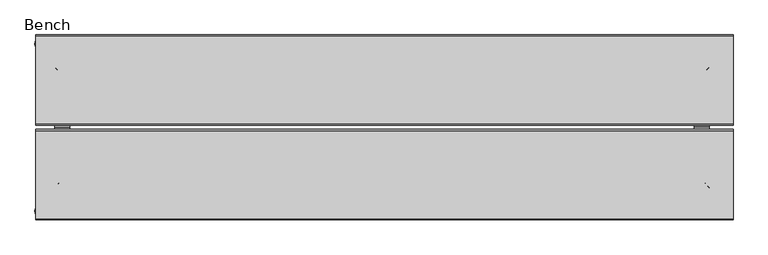
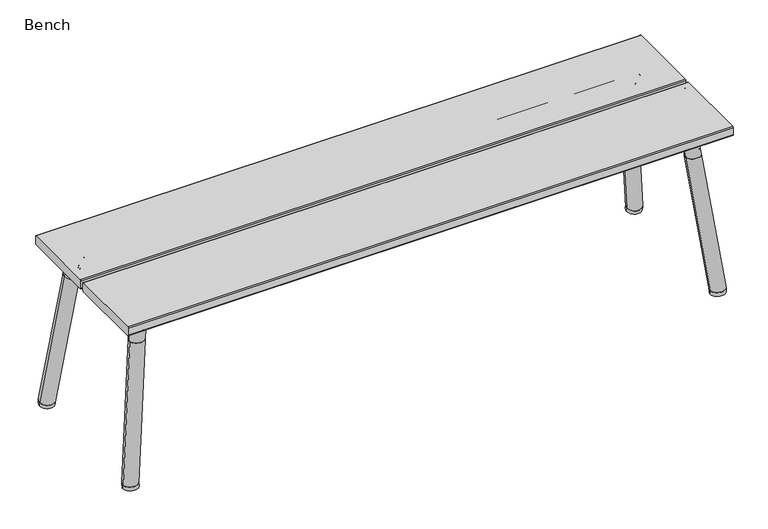
"""IFC4 building model written with IfcOpenShell, lengths in millimetres: furniture geometry, Bench."""

from ifc_helpers import new_model, si_unit, point, frame, frame_2d, origin, place, context, project, spatial, polyline, circle_curve, ellipse_curve, trimmed, segment, composite_curve, outline, extrude, source, transform, mapped, element, save
from ifc_brep_helpers import plane_surface, cylinder_surface, revolved_surface, extruded_surface, advanced_brep


def bench_5bde1b20(model_context):
    return source(origin(), model_context, "Body", "SolidModel", [
        advanced_brep(
        [(-735.4207663, -229.9340038, 9.162739), (-773.5207663, -229.9340038, 9.162739), (-735.4145651, -228.8936749, -0.0157936), (-773.5145651, -228.8936749, -0.0157936)],
        [
            (0, 1, circle_curve(frame((-754.4707663, -229.9340038, 9.162739), z_axis=(0.0, -0.11262259461233326, 0.993637837032581), x_axis=(1.0, 0.0, 0.0)), 19.05)),
            (1, 0, circle_curve(frame((-754.4707663, -229.9340038, 9.162739), z_axis=(0.0, -0.11262259461233326, 0.993637837032581), x_axis=(1.0, 0.0, 0.0)), 19.05)),
            (2, 3, circle_curve(frame((-754.4645651, -228.8936749, -0.0157936), z_axis=(0.0, 0.11262259461233326, -0.993637837032581), x_axis=(-1.0, 0.0, 0.0)), 19.05)),
            (3, 2, circle_curve(frame((-754.4645651, -228.8936749, -0.0157936), z_axis=(0.0, 0.11262259461233326, -0.993637837032581), x_axis=(-1.0, 0.0, 0.0)), 19.05)),
            (3, 1),
            (0, 2),
        ],
        [
            plane_surface(frame((-754.4707663, -229.9340038, 9.162739), z_axis=(0.0, -0.11262259461233326, 0.993637837032581), x_axis=(0.0, -0.993637837032581, -0.11262259461233326))),
            plane_surface(frame((-754.4645651, -228.8936749, -0.0157936), z_axis=(0.0, 0.11262259461233326, -0.993637837032581), x_axis=(0.0, 0.993637837032581, 0.11262259461233326))),
            extruded_surface(trimmed(circle_curve(frame((-754.4645651, -228.8936749, -0.0157936), z_axis=(0.0, -0.11262259461233326, 0.993637837032581), x_axis=(-1.0, 0.0, 0.0)), 19.05), [point((-735.4145651, -228.8936749, -0.0157936))], [point((-773.5145651, -228.8936749, -0.0157936))], True, "CARTESIAN"), (-0.006201200000077733, -1.0403288999999916, 9.1785326), 9.237303901264665),
            extruded_surface(trimmed(circle_curve(frame((-754.4645651, -228.8936749, -0.0157936), z_axis=(0.0, -0.11262259461233326, 0.993637837032581), x_axis=(-1.0, 0.0, 0.0)), 19.05), [point((-773.5145651, -228.8936749, -0.0157936))], [point((-735.4145651, -228.8936749, -0.0157936))], True, "CARTESIAN"), (-0.006201200000077733, -1.0403288999999916, 9.1785326), 9.237303901264665),
        ],
        [
            (0, [[1, 2]]),
            (1, [[3, 4]]),
            (2, [[-4, 5, -1, 6]]),
            (3, [[-3, -6, -2, -5]]),
        ],
    ),
        advanced_brep(
        [(-735.4207663, -601.9159962, 9.162739), (-773.5207663, -601.9159962, 9.162739), (-735.4145651, -602.9563251, -0.0157936), (-773.5145651, -602.9563251, -0.0157936)],
        [
            (0, 1, circle_curve(frame((-754.4707663, -601.9159962, 9.162739), z_axis=(0.0, 0.11262259461233326, 0.993637837032581), x_axis=(1.0, 0.0, 0.0)), 19.05)),
            (1, 0, circle_curve(frame((-754.4707663, -601.9159962, 9.162739), z_axis=(0.0, 0.11262259461233326, 0.993637837032581), x_axis=(1.0, 0.0, 0.0)), 19.05)),
            (2, 3, circle_curve(frame((-754.4645651, -602.9563251, -0.0157936), z_axis=(0.0, -0.11262259461233326, -0.993637837032581), x_axis=(-1.0, 0.0, 0.0)), 19.05)),
            (3, 2, circle_curve(frame((-754.4645651, -602.9563251, -0.0157936), z_axis=(0.0, -0.11262259461233326, -0.993637837032581), x_axis=(-1.0, 0.0, 0.0)), 19.05)),
            (2, 0),
            (1, 3),
        ],
        [
            plane_surface(frame((-754.4707663, -601.9159962, 9.162739), z_axis=(0.0, 0.11262259461233326, 0.993637837032581), x_axis=(0.0, -0.993637837032581, 0.11262259461233326))),
            plane_surface(frame((-754.4645651, -602.9563251, -0.0157936), z_axis=(0.0, -0.11262259461233326, -0.993637837032581), x_axis=(0.0, 0.993637837032581, -0.11262259461233326))),
            extruded_surface(trimmed(circle_curve(frame((-754.4645651, -602.9563251, -0.0157936), z_axis=(0.0, 0.11262259461233326, 0.993637837032581), x_axis=(-1.0, 0.0, 0.0)), 19.05), [point((-773.5145651, -602.9563251, -0.0157936))], [point((-735.4145651, -602.9563251, -0.0157936))], True, "CARTESIAN"), (-0.006201200000077733, 1.0403288999999631, 9.1785326), 9.237303901264662),
            extruded_surface(trimmed(circle_curve(frame((-754.4645651, -602.9563251, -0.0157936), z_axis=(0.0, 0.11262259461233326, 0.993637837032581), x_axis=(-1.0, 0.0, 0.0)), 19.05), [point((-735.4145651, -602.9563251, -0.0157936))], [point((-773.5145651, -602.9563251, -0.0157936))], True, "CARTESIAN"), (-0.006201200000077733, 1.0403288999999631, 9.1785326), 9.237303901264662),
        ],
        [
            (0, [[1, 2]]),
            (1, [[3, 4]]),
            (2, [[-3, 5, -2, 6]]),
            (3, [[-4, -6, -1, -5]]),
        ],
    ),
        advanced_brep(
        [(736.9421205, -229.9340038, 9.162739), (775.0421205, -229.9340038, 9.162739), (736.9359193, -228.8936749, -0.0157936), (775.0359193, -228.8936749, -0.0157936)],
        [
            (0, 1, circle_curve(frame((755.9921205, -229.9340038, 9.162739), z_axis=(0.0, -0.11262259461233326, 0.993637837032581), x_axis=(-1.0, 0.0, 0.0)), 19.05)),
            (1, 0, circle_curve(frame((755.9921205, -229.9340038, 9.162739), z_axis=(0.0, -0.11262259461233326, 0.993637837032581), x_axis=(-1.0, 0.0, 0.0)), 19.05)),
            (2, 3, circle_curve(frame((755.9859193, -228.8936749, -0.0157936), z_axis=(0.0, 0.11262259461233326, -0.993637837032581), x_axis=(1.0, 0.0, 0.0)), 19.05)),
            (3, 2, circle_curve(frame((755.9859193, -228.8936749, -0.0157936), z_axis=(0.0, 0.11262259461233326, -0.993637837032581), x_axis=(1.0, 0.0, 0.0)), 19.05)),
            (2, 0),
            (1, 3),
        ],
        [
            plane_surface(frame((755.9921205, -229.9340038, 9.162739), z_axis=(0.0, -0.11262259461233326, 0.993637837032581), x_axis=(0.0, 0.993637837032581, 0.11262259461233326))),
            plane_surface(frame((755.9859193, -228.8936749, -0.0157936), z_axis=(0.0, 0.11262259461233326, -0.993637837032581), x_axis=(0.0, -0.993637837032581, -0.11262259461233326))),
            extruded_surface(trimmed(circle_curve(frame((755.9859193, -228.8936749, -0.0157936), z_axis=(0.0, -0.11262259461233326, 0.993637837032581), x_axis=(1.0, 0.0, 0.0)), 19.05), [point((775.0359193, -228.8936749, -0.0157936))], [point((736.9359193, -228.8936749, -0.0157936))], True, "CARTESIAN"), (0.006201200000077733, -1.0403288999999916, 9.1785326), 9.237303901264665),
            extruded_surface(trimmed(circle_curve(frame((755.9859193, -228.8936749, -0.0157936), z_axis=(0.0, -0.11262259461233326, 0.993637837032581), x_axis=(1.0, 0.0, 0.0)), 19.05), [point((736.9359193, -228.8936749, -0.0157936))], [point((775.0359193, -228.8936749, -0.0157936))], True, "CARTESIAN"), (0.006201200000077733, -1.0403288999999916, 9.1785326), 9.237303901264665),
        ],
        [
            (0, [[1, 2]]),
            (1, [[3, 4]]),
            (2, [[-3, 5, -2, 6]]),
            (3, [[-4, -6, -1, -5]]),
        ],
    ),
        advanced_brep(
        [(713.35075, -284.7955404, 382.266082), (713.35075, -259.3955404, 382.266082), (675.8206713, -284.7955404, 416.2260945), (675.8206713, -259.3955404, 416.2260945), (0.7606771, -284.7955404, 416.2260945), (0.7606771, -259.3955404, 416.2260945), (-711.8293958, -284.7955404, 382.266082), (-711.8293958, -259.3955404, 382.266082), (-674.2993172, -259.3955404, 416.2260945), (-674.2993172, -284.7955404, 416.2260945)],
        [
            (0, 1, circle_curve(frame((713.35075, -272.0955404, 382.266082), z_axis=(0.0996273802957553, 0.0, -0.9950248163213845), x_axis=(0.0, 1.0, 0.0)), 12.7)),
            (1, 0, circle_curve(frame((713.35075, -272.0955404, 382.266082), z_axis=(0.0996273802957553, 0.0, -0.9950248163213845), x_axis=(0.0, 1.0, 0.0)), 12.7)),
            (0, 2, circle_curve(frame((675.8206713, -284.7955404, 378.5083633), z_axis=(0.0, -1.0, 0.0), x_axis=(0.9950248163208736, 0.0, 0.09962738030085823)), 37.7177313)),
            (2, 3, circle_curve(frame((675.8206713, -272.0955404, 416.2260945), z_axis=(0.9999999999999999, 0.0, -5.137723579906606e-12), x_axis=(0.0, 1.0, 0.0)), 12.7)),
            (3, 1, circle_curve(frame((675.8206713, -259.3955404, 378.5083633), z_axis=(0.0, 1.0, 0.0), x_axis=(0.9950248163208736, 0.0, 0.09962738030085823)), 37.7177313)),
            (3, 2, circle_curve(frame((675.8206713, -272.0955404, 416.2260945), z_axis=(1.0, 0.0, -5.1363913122770555e-12), x_axis=(0.0, 1.0, 0.0)), 12.7)),
            (2, 4),
            (4, 5, circle_curve(frame((0.7606771, -272.0955404, 416.2260945), z_axis=(1.0, 0.0, -5.1314646976052805e-12), x_axis=(0.0, 1.0, 0.0)), 12.7)),
            (5, 3),
            (5, 4, circle_curve(frame((0.7606771, -272.0955404, 416.2260945), z_axis=(1.0, 0.0, -5.1314646976052805e-12), x_axis=(0.0, 1.0, 0.0)), 12.7)),
            (6, 7, circle_curve(frame((-711.8293958, -272.0955404, 382.266082), z_axis=(-0.09962738029578189, 0.0, -0.9950248163213818), x_axis=(0.0, 1.0, 0.0)), 12.7)),
            (7, 6, circle_curve(frame((-711.8293958, -272.0955404, 382.266082), z_axis=(-0.09962738029578189, 0.0, -0.9950248163213818), x_axis=(0.0, 1.0, 0.0)), 12.7)),
            (7, 8, circle_curve(frame((-674.2993172, -259.3955404, 378.5083633), z_axis=(0.0, 1.0, 0.0), x_axis=(-0.9950248163208708, 0.0, 0.09962738030088575)), 37.7177313)),
            (8, 9, circle_curve(frame((-674.2993172, -272.0955404, 416.2260945), z_axis=(-1.0, 0.0, -5.111008838376563e-12), x_axis=(0.0, 1.0, 0.0)), 12.7)),
            (9, 6, circle_curve(frame((-674.2993172, -284.7955404, 378.5083633), z_axis=(0.0, -1.0, 0.0), x_axis=(-0.9950248163208708, 0.0, 0.09962738030088575)), 37.7177313)),
            (9, 8, circle_curve(frame((-674.2993172, -272.0955404, 416.2260945), z_axis=(-1.0, 0.0, -5.112119061401188e-12), x_axis=(0.0, 1.0, 0.0)), 12.7)),
            (8, 5),
            (4, 9),
        ],
        [
            plane_surface(frame((713.35075, -277.0595785, 382.266082), z_axis=(0.09962738030085821, 0.0, -0.9950248163208737), x_axis=(0.0, -1.0, 0.0))),
            revolved_surface(trimmed(ellipse_curve(frame((713.35075, -272.0955404, 382.266082), z_axis=(0.0996273802957553, 0.0, -0.9950248163213845), x_axis=(0.0, 1.0, 0.0)), 12.7, 12.7), [point((713.35075, -284.7955404, 382.266082))], [point((713.35075, -259.3955404, 382.266082))], True, "CARTESIAN"), (675.8206713, -277.0595785, 378.5083633), (0.0, -1.0, 0.0)),
            revolved_surface(trimmed(ellipse_curve(frame((713.35075, -272.0955404, 382.266082), z_axis=(0.0996273802957553, 0.0, -0.9950248163213845), x_axis=(0.0, 1.0, 0.0)), 12.7, 12.7), [point((713.35075, -259.3955404, 382.266082))], [point((713.35075, -284.7955404, 382.266082))], True, "CARTESIAN"), (675.8206713, -277.0595785, 378.5083633), (0.0, -1.0, 0.0)),
            cylinder_surface(frame((675.8206713, -272.0955404, 416.2260945), z_axis=(1.0, 0.0, -5.1314646976052805e-12), x_axis=(0.0, 1.0, 0.0)), 12.7),
            plane_surface(frame((-711.8293958, -277.0595785, 382.266082), z_axis=(-0.09962738030088575, 0.0, -0.9950248163208708), x_axis=(0.0, -1.0, 0.0))),
            revolved_surface(trimmed(ellipse_curve(frame((-711.8293958, -272.0955404, 382.266082), z_axis=(-0.09962738029578189, 0.0, -0.9950248163213818), x_axis=(0.0, 1.0, 0.0)), 12.7, 12.7), [point((-711.8293958, -259.3955404, 382.266082))], [point((-711.8293958, -284.7955404, 382.266082))], True, "CARTESIAN"), (-674.2993172, -277.0595785, 378.5083633), (0.0, 1.0, 0.0)),
            revolved_surface(trimmed(ellipse_curve(frame((-711.8293958, -272.0955404, 382.266082), z_axis=(-0.09962738029578189, 0.0, -0.9950248163213818), x_axis=(0.0, 1.0, 0.0)), 12.7, 12.7), [point((-711.8293958, -284.7955404, 382.266082))], [point((-711.8293958, -259.3955404, 382.266082))], True, "CARTESIAN"), (-674.2993172, -277.0595785, 378.5083633), (0.0, 1.0, 0.0)),
            cylinder_surface(frame((-674.2993172, -272.0955404, 416.2260945), z_axis=(-1.0, 0.0, -5.104736078287431e-12), x_axis=(0.0, 1.0, 0.0)), 12.7),
        ],
        [
            (0, [[1, 2]]),
            (1, [[-1, 3, 4, 5]]),
            (2, [[-2, -5, 6, -3]]),
            (3, [[-4, 7, 8, 9]]),
            (3, [[-6, -9, 10, -7]]),
            (4, [[11, 12]]),
            (5, [[-12, 13, 14, 15]]),
            (6, [[-11, -15, 16, -13]]),
            (7, [[-14, 17, -8, 18]]),
            (7, [[-16, -18, -10, -17]]),
        ],
    ),
        advanced_brep(
        [(697.0880634, -559.3307471, 376.709832), (731.1449265, -559.3307471, 376.709832), (697.0880634, -521.8006685, 410.6698445), (731.1449265, -521.8006685, 410.6698445), (697.0880634, -415.925, 410.6698445), (731.1449265, -415.925, 410.6698445), (697.0880634, -272.5192529, 376.709832), (731.1449265, -272.5192529, 376.709832), (731.1449265, -310.0493315, 410.6698445), (697.0880634, -310.0493315, 410.6698445)],
        [
            (0, 1, circle_curve(frame((714.1164949, -559.3307471, 376.709832), z_axis=(0.0, -0.0996273802957553, -0.9950248163213845), x_axis=(1.0, 0.0, 0.0)), 17.0284315)),
            (1, 0, circle_curve(frame((714.1164949, -559.3307471, 376.709832), z_axis=(0.0, -0.0996273802957553, -0.9950248163213845), x_axis=(1.0, 0.0, 0.0)), 17.0284315)),
            (0, 2, circle_curve(frame((697.0880634, -521.8006685, 372.9521133), z_axis=(-1.0, 0.0, 0.0), x_axis=(0.0, -0.9950248163208736, 0.09962738030085823)), 37.7177313)),
            (2, 3, circle_curve(frame((714.1164949, -521.8006685, 410.6698445), z_axis=(0.0, -1.0, -5.138611758326306e-12), x_axis=(1.0, 0.0, 0.0)), 17.0284315)),
            (3, 1, circle_curve(frame((731.1449265, -521.8006685, 372.9521133), z_axis=(1.0, 0.0, 0.0), x_axis=(0.0, -0.9950248163208736, 0.09962738030085823)), 37.7177313)),
            (3, 2, circle_curve(frame((714.1164949, -521.8006685, 410.6698445), z_axis=(0.0, -1.0, -5.138389713721381e-12), x_axis=(1.0, 0.0, 0.0)), 17.0284315)),
            (2, 4),
            (4, 5, circle_curve(frame((714.1164949, -415.925, 410.6698445), z_axis=(0.0, -1.0, -5.1314646976052805e-12), x_axis=(1.0, 0.0, 0.0)), 17.0284315)),
            (5, 3),
            (5, 4, circle_curve(frame((714.1164949, -415.925, 410.6698445), z_axis=(0.0, -1.0, -5.1314646976052805e-12), x_axis=(1.0, 0.0, 0.0)), 17.0284315)),
            (6, 7, circle_curve(frame((714.1164949, -272.5192529, 376.709832), z_axis=(0.0, 0.0996273802957553, -0.9950248163213845), x_axis=(1.0, 0.0, 0.0)), 17.0284315)),
            (7, 6, circle_curve(frame((714.1164949, -272.5192529, 376.709832), z_axis=(0.0, 0.0996273802957553, -0.9950248163213845), x_axis=(1.0, 0.0, 0.0)), 17.0284315)),
            (7, 8, circle_curve(frame((731.1449265, -310.0493315, 372.9521133), z_axis=(1.0, 0.0, 0.0), x_axis=(0.0, 0.9950248163208736, 0.09962738030085823)), 37.7177313)),
            (8, 9, circle_curve(frame((714.1164949, -310.0493315, 410.6698445), z_axis=(0.0, 1.0, -5.137501535301681e-12), x_axis=(1.0, 0.0, 0.0)), 17.0284315)),
            (9, 6, circle_curve(frame((697.0880634, -310.0493315, 372.9521133), z_axis=(-1.0, 0.0, 0.0), x_axis=(0.0, 0.9950248163208736, 0.09962738030085823)), 37.7177313)),
            (9, 8, circle_curve(frame((714.1164949, -310.0493315, 410.6698445), z_axis=(0.0, 1.0, -5.1363913122770555e-12), x_axis=(1.0, 0.0, 0.0)), 17.0284315)),
            (8, 5),
            (4, 9),
        ],
        [
            plane_surface(frame((709.1524568, -559.3307471, 376.709832), z_axis=(0.0, -0.09962738030085821, -0.9950248163208737), x_axis=(-1.0, 0.0, 0.0))),
            revolved_surface(trimmed(ellipse_curve(frame((714.1164949, -559.3307471, 376.709832), z_axis=(0.0, -0.0996273802957553, -0.9950248163213845), x_axis=(1.0, 0.0, 0.0)), 17.0284315, 17.0284315), [point((697.0880634, -559.3307471, 376.709832))], [point((731.1449265, -559.3307471, 376.709832))], True, "CARTESIAN"), (709.1524568, -521.8006685, 372.9521133), (-1.0, 0.0, 0.0)),
            revolved_surface(trimmed(ellipse_curve(frame((714.1164949, -559.3307471, 376.709832), z_axis=(0.0, -0.0996273802957553, -0.9950248163213845), x_axis=(1.0, 0.0, 0.0)), 17.0284315, 17.0284315), [point((731.1449265, -559.3307471, 376.709832))], [point((697.0880634, -559.3307471, 376.709832))], True, "CARTESIAN"), (709.1524568, -521.8006685, 372.9521133), (-1.0, 0.0, 0.0)),
            cylinder_surface(frame((714.1164949, -521.8006685, 410.6698445), z_axis=(0.0, -1.0, -5.1314646976052805e-12), x_axis=(1.0, 0.0, 0.0)), 17.0284315),
            plane_surface(frame((709.1524568, -272.5192529, 376.709832), z_axis=(0.0, 0.09962738030085821, -0.9950248163208737), x_axis=(-1.0, 0.0, 0.0))),
            revolved_surface(trimmed(ellipse_curve(frame((714.1164949, -272.5192529, 376.709832), z_axis=(0.0, 0.0996273802957553, -0.9950248163213845), x_axis=(1.0, 0.0, 0.0)), 17.0284315, 17.0284315), [point((731.1449265, -272.5192529, 376.709832))], [point((697.0880634, -272.5192529, 376.709832))], True, "CARTESIAN"), (709.1524568, -310.0493315, 372.9521133), (1.0, 0.0, 0.0)),
            revolved_surface(trimmed(ellipse_curve(frame((714.1164949, -272.5192529, 376.709832), z_axis=(0.0, 0.0996273802957553, -0.9950248163213845), x_axis=(1.0, 0.0, 0.0)), 17.0284315, 17.0284315), [point((697.0880634, -272.5192529, 376.709832))], [point((731.1449265, -272.5192529, 376.709832))], True, "CARTESIAN"), (709.1524568, -310.0493315, 372.9521133), (1.0, 0.0, 0.0)),
            cylinder_surface(frame((714.1164949, -310.0493315, 410.6698445), z_axis=(0.0, 1.0, -5.1314646976052805e-12), x_axis=(1.0, 0.0, 0.0)), 17.0284315),
        ],
        [
            (0, [[1, 2]]),
            (1, [[-1, 3, 4, 5]]),
            (2, [[-2, -5, 6, -3]]),
            (3, [[-4, 7, 8, 9]]),
            (3, [[-6, -9, 10, -7]]),
            (4, [[11, 12]]),
            (5, [[-12, 13, 14, 15]]),
            (6, [[-11, -15, 16, -13]]),
            (7, [[-14, 17, -8, 18]]),
            (7, [[-16, -18, -10, -17]]),
        ],
    ),
        advanced_brep(
        [(-711.8293958, -547.0544596, 382.266082), (-711.8293958, -572.4544596, 382.266082), (-674.2993172, -547.0544596, 416.2260945), (-674.2993172, -572.4544596, 416.2260945), (0.7606771, -547.0544596, 416.2260945), (0.7606771, -572.4544596, 416.2260945), (713.35075, -547.0544596, 382.266082), (713.35075, -572.4544596, 382.266082), (675.8206713, -572.4544596, 416.2260945), (675.8206713, -547.0544596, 416.2260945)],
        [
            (0, 1, circle_curve(frame((-711.8293958, -559.7544596, 382.266082), z_axis=(-0.09962738029578189, 0.0, -0.9950248163213818), x_axis=(0.0, -1.0, 0.0)), 12.7)),
            (1, 0, circle_curve(frame((-711.8293958, -559.7544596, 382.266082), z_axis=(-0.09962738029578189, 0.0, -0.9950248163213818), x_axis=(0.0, -1.0, 0.0)), 12.7)),
            (0, 2, circle_curve(frame((-674.2993172, -547.0544596, 378.5083633), z_axis=(0.0, 1.0, 0.0), x_axis=(-0.9950248163208708, 0.0, 0.09962738030088575)), 37.7177313)),
            (2, 3, circle_curve(frame((-674.2993172, -559.7544596, 416.2260945), z_axis=(-1.0, 0.0, -5.112785195215963e-12), x_axis=(0.0, -1.0, 0.0)), 12.7)),
            (3, 1, circle_curve(frame((-674.2993172, -572.4544596, 378.5083633), z_axis=(0.0, -1.0, 0.0), x_axis=(-0.9950248163208708, 0.0, 0.09962738030088575)), 37.7177313)),
            (3, 2, circle_curve(frame((-674.2993172, -559.7544596, 416.2260945), z_axis=(-1.0, 0.0, -5.111883139008455e-12), x_axis=(0.0, -1.0, 0.0)), 12.7)),
            (2, 4),
            (4, 5, circle_curve(frame((0.7606771, -559.7544596, 416.2260945), z_axis=(-1.0, 0.0, -5.104736078287431e-12), x_axis=(0.0, -1.0, 0.0)), 12.7)),
            (5, 3),
            (5, 4, circle_curve(frame((0.7606771, -559.7544596, 416.2260945), z_axis=(-1.0, 0.0, -5.104736078287431e-12), x_axis=(0.0, -1.0, 0.0)), 12.7)),
            (6, 7, circle_curve(frame((713.35075, -559.7544596, 382.266082), z_axis=(0.0996273802957553, 0.0, -0.9950248163213845), x_axis=(0.0, -1.0, 0.0)), 12.7)),
            (7, 6, circle_curve(frame((713.35075, -559.7544596, 382.266082), z_axis=(0.0996273802957553, 0.0, -0.9950248163213845), x_axis=(0.0, -1.0, 0.0)), 12.7)),
            (7, 8, circle_curve(frame((675.8206713, -572.4544596, 378.5083633), z_axis=(0.0, -1.0, 0.0), x_axis=(0.9950248163208736, 0.0, 0.09962738030085823)), 37.7177313)),
            (8, 9, circle_curve(frame((675.8206713, -559.7544596, 416.2260945), z_axis=(1.0, 0.0, -5.1372933684845634e-12), x_axis=(0.0, -1.0, 0.0)), 12.7)),
            (9, 6, circle_curve(frame((675.8206713, -547.0544596, 378.5083633), z_axis=(0.0, 1.0, 0.0), x_axis=(0.9950248163208736, 0.0, 0.09962738030085823)), 37.7177313)),
            (9, 8, circle_curve(frame((675.8206713, -559.7544596, 416.2260945), z_axis=(1.0, 0.0, -5.138611758326306e-12), x_axis=(0.0, -1.0, 0.0)), 12.7)),
            (8, 5),
            (4, 9),
        ],
        [
            plane_surface(frame((-711.8293958, -554.7904215, 382.266082), z_axis=(-0.09962738030088575, 0.0, -0.9950248163208708), x_axis=(0.0, 1.0, 0.0))),
            revolved_surface(trimmed(ellipse_curve(frame((-711.8293958, -559.7544596, 382.266082), z_axis=(-0.09962738029578189, 0.0, -0.9950248163213818), x_axis=(0.0, -1.0, 0.0)), 12.7, 12.7), [point((-711.8293958, -547.0544596, 382.266082))], [point((-711.8293958, -572.4544596, 382.266082))], True, "CARTESIAN"), (-674.2993172, -554.7904215, 378.5083633), (0.0, 1.0, 0.0)),
            revolved_surface(trimmed(ellipse_curve(frame((-711.8293958, -559.7544596, 382.266082), z_axis=(-0.09962738029578189, 0.0, -0.9950248163213818), x_axis=(0.0, -1.0, 0.0)), 12.7, 12.7), [point((-711.8293958, -572.4544596, 382.266082))], [point((-711.8293958, -547.0544596, 382.266082))], True, "CARTESIAN"), (-674.2993172, -554.7904215, 378.5083633), (0.0, 1.0, 0.0)),
            cylinder_surface(frame((-674.2993172, -559.7544596, 416.2260945), z_axis=(-1.0, 0.0, -5.104736078287431e-12), x_axis=(0.0, -1.0, 0.0)), 12.7),
            plane_surface(frame((713.35075, -554.7904215, 382.266082), z_axis=(0.09962738030085821, 0.0, -0.9950248163208737), x_axis=(0.0, 1.0, 0.0))),
            revolved_surface(trimmed(ellipse_curve(frame((713.35075, -559.7544596, 382.266082), z_axis=(0.0996273802957553, 0.0, -0.9950248163213845), x_axis=(0.0, -1.0, 0.0)), 12.7, 12.7), [point((713.35075, -572.4544596, 382.266082))], [point((713.35075, -547.0544596, 382.266082))], True, "CARTESIAN"), (675.8206713, -554.7904215, 378.5083633), (0.0, -1.0, 0.0)),
            revolved_surface(trimmed(ellipse_curve(frame((713.35075, -559.7544596, 382.266082), z_axis=(0.0996273802957553, 0.0, -0.9950248163213845), x_axis=(0.0, -1.0, 0.0)), 12.7, 12.7), [point((713.35075, -547.0544596, 382.266082))], [point((713.35075, -572.4544596, 382.266082))], True, "CARTESIAN"), (675.8206713, -554.7904215, 378.5083633), (0.0, -1.0, 0.0)),
            cylinder_surface(frame((675.8206713, -559.7544596, 416.2260945), z_axis=(1.0, 0.0, -5.1314646976052805e-12), x_axis=(0.0, -1.0, 0.0)), 12.7),
        ],
        [
            (0, [[1, 2]]),
            (1, [[-1, 3, 4, 5]]),
            (2, [[-2, -5, 6, -3]]),
            (3, [[-4, 7, 8, 9]]),
            (3, [[-6, -9, 10, -7]]),
            (4, [[11, 12]]),
            (5, [[-12, 13, 14, 15]]),
            (6, [[-11, -15, 16, -13]]),
            (7, [[-14, 17, -8, 18]]),
            (7, [[-16, -18, -10, -17]]),
        ],
    ),
        advanced_brep(
        [(696.7981722, -270.31325, 362.10054), (734.8981722, -270.31325, 362.10054), (736.8453401, -229.9339535, 9.162691), (774.9453401, -229.9339535, 9.162691)],
        [
            (0, 1, circle_curve(frame((715.8481722, -270.31325, 362.10054), z_axis=(0.0, -0.11262259461232738, 0.9936378370325818), x_axis=(-1.0, 0.0, 0.0)), 19.05)),
            (1, 0, circle_curve(frame((715.8481722, -270.31325, 362.10054), z_axis=(0.0, -0.11262259461232738, 0.9936378370325818), x_axis=(-1.0, 0.0, 0.0)), 19.05)),
            (2, 3, circle_curve(frame((755.8953401, -229.9339535, 9.162691), z_axis=(0.0, 0.11262259461232738, -0.9936378370325818), x_axis=(1.0, 0.0, 0.0)), 19.05)),
            (3, 2, circle_curve(frame((755.8953401, -229.9339535, 9.162691), z_axis=(0.0, 0.11262259461232738, -0.9936378370325818), x_axis=(1.0, 0.0, 0.0)), 19.05)),
            (2, 0),
            (1, 3),
        ],
        [
            plane_surface(frame((715.8481722, -270.31325, 362.10054), z_axis=(0.0, -0.11262259461232738, 0.9936378370325818), x_axis=(0.0, 0.9936378370325818, 0.11262259461232738))),
            plane_surface(frame((755.8953401, -229.9339535, 9.162691), z_axis=(0.0, 0.11262259461232738, -0.9936378370325818), x_axis=(0.0, -0.9936378370325818, -0.11262259461232738))),
            extruded_surface(trimmed(circle_curve(frame((755.8953401, -229.9339535, 9.162691), z_axis=(0.0, -0.11262259461232738, 0.9936378370325818), x_axis=(1.0, 0.0, 0.0)), 19.05), [point((774.9453401, -229.9339535, 9.162691))], [point((736.8453401, -229.9339535, 9.162691))], True, "CARTESIAN"), (-40.04716789999998, -40.37929649999998, 352.937849), 357.49040336684914),
            extruded_surface(trimmed(circle_curve(frame((755.8953401, -229.9339535, 9.162691), z_axis=(0.0, -0.11262259461232738, 0.9936378370325818), x_axis=(1.0, 0.0, 0.0)), 19.05), [point((736.8453401, -229.9339535, 9.162691))], [point((774.9453401, -229.9339535, 9.162691))], True, "CARTESIAN"), (-40.04716789999998, -40.37929649999998, 352.937849), 357.49040336684914),
        ],
        [
            (0, [[1, 2]]),
            (1, [[3, 4]]),
            (2, [[-3, 5, -2, 6]]),
            (3, [[-4, -6, -1, -5]]),
        ],
    ),
        advanced_brep(
        [(688.6126253, -279.15918, 432.8667462), (726.7126253, -279.15918, 432.8667462), (696.9594026, -270.2821551, 362.1032765), (735.0594026, -270.2821551, 362.1032765)],
        [
            (0, 1, circle_curve(frame((707.6626253, -279.15918, 432.8667462), z_axis=(0.0, -0.11618416195175986, 0.9932276881518998), x_axis=(-1.0, 0.0, 0.0)), 19.05)),
            (1, 0, circle_curve(frame((707.6626253, -279.15918, 432.8667462), z_axis=(0.0, -0.11618416195175986, 0.9932276881518998), x_axis=(-1.0, 0.0, 0.0)), 19.05)),
            (2, 3, circle_curve(frame((716.0094026, -270.2821551, 362.1032765), z_axis=(0.0, 0.11618416195175986, -0.9932276881518998), x_axis=(1.0, 0.0, 0.0)), 19.05)),
            (3, 2, circle_curve(frame((716.0094026, -270.2821551, 362.1032765), z_axis=(0.0, 0.11618416195175986, -0.9932276881518998), x_axis=(1.0, 0.0, 0.0)), 19.05)),
            (2, 0),
            (1, 3),
        ],
        [
            plane_surface(frame((707.6626253, -279.15918, 432.8667462), z_axis=(0.0, -0.11618416195175986, 0.9932276881518998), x_axis=(0.0, 0.9932276881518998, 0.11618416195175986))),
            plane_surface(frame((716.0094026, -270.2821551, 362.1032765), z_axis=(0.0, 0.11618416195175986, -0.9932276881518998), x_axis=(0.0, -0.9932276881518998, -0.11618416195175986))),
            extruded_surface(trimmed(circle_curve(frame((716.0094026, -270.2821551, 362.1032765), z_axis=(0.0, -0.11618416195175986, 0.9932276881518998), x_axis=(1.0, 0.0, 0.0)), 19.05), [point((735.0594026, -270.2821551, 362.1032765))], [point((696.9594026, -270.2821551, 362.1032765))], True, "CARTESIAN"), (-8.346777300000099, -8.87702489999998, 70.76346970000003), 71.80486687094293),
            extruded_surface(trimmed(circle_curve(frame((716.0094026, -270.2821551, 362.1032765), z_axis=(0.0, -0.11618416195175986, 0.9932276881518998), x_axis=(1.0, 0.0, 0.0)), 19.05), [point((696.9594026, -270.2821551, 362.1032765))], [point((735.0594026, -270.2821551, 362.1032765))], True, "CARTESIAN"), (-8.346777300000099, -8.87702489999998, 70.76346970000003), 71.80486687094293),
        ],
        [
            (0, [[1, 2]]),
            (1, [[3, 4]]),
            (2, [[-3, 5, -2, 6]]),
            (3, [[-4, -6, -1, -5]]),
        ],
    ),
        advanced_brep(
        [(736.9421205, -601.9159962, 9.162739), (775.0421205, -601.9159962, 9.162739), (736.9359193, -602.9563251, -0.0157936), (775.0359193, -602.9563251, -0.0157936)],
        [
            (0, 1, circle_curve(frame((755.9921205, -601.9159962, 9.162739), z_axis=(0.0, 0.11262259461233326, 0.993637837032581), x_axis=(-1.0, 0.0, 0.0)), 19.05)),
            (1, 0, circle_curve(frame((755.9921205, -601.9159962, 9.162739), z_axis=(0.0, 0.11262259461233326, 0.993637837032581), x_axis=(-1.0, 0.0, 0.0)), 19.05)),
            (2, 3, circle_curve(frame((755.9859193, -602.9563251, -0.0157936), z_axis=(0.0, -0.11262259461233326, -0.993637837032581), x_axis=(1.0, 0.0, 0.0)), 19.05)),
            (3, 2, circle_curve(frame((755.9859193, -602.9563251, -0.0157936), z_axis=(0.0, -0.11262259461233326, -0.993637837032581), x_axis=(1.0, 0.0, 0.0)), 19.05)),
            (3, 1),
            (0, 2),
        ],
        [
            plane_surface(frame((755.9921205, -601.9159962, 9.162739), z_axis=(0.0, 0.11262259461233326, 0.993637837032581), x_axis=(0.0, 0.993637837032581, -0.11262259461233326))),
            plane_surface(frame((755.9859193, -602.9563251, -0.0157936), z_axis=(0.0, -0.11262259461233326, -0.993637837032581), x_axis=(0.0, -0.993637837032581, 0.11262259461233326))),
            extruded_surface(trimmed(circle_curve(frame((755.9859193, -602.9563251, -0.0157936), z_axis=(0.0, 0.11262259461233326, 0.993637837032581), x_axis=(1.0, 0.0, 0.0)), 19.05), [point((736.9359193, -602.9563251, -0.0157936))], [point((775.0359193, -602.9563251, -0.0157936))], True, "CARTESIAN"), (0.006201200000077733, 1.0403288999999631, 9.1785326), 9.237303901264662),
            extruded_surface(trimmed(circle_curve(frame((755.9859193, -602.9563251, -0.0157936), z_axis=(0.0, 0.11262259461233326, 0.993637837032581), x_axis=(1.0, 0.0, 0.0)), 19.05), [point((775.0359193, -602.9563251, -0.0157936))], [point((736.9359193, -602.9563251, -0.0157936))], True, "CARTESIAN"), (0.006201200000077733, 1.0403288999999631, 9.1785326), 9.237303901264662),
        ],
        [
            (0, [[1, 2]]),
            (1, [[3, 4]]),
            (2, [[-4, 5, -1, 6]]),
            (3, [[-3, -6, -2, -5]]),
        ],
    ),
        advanced_brep(
        [(696.7981722, -561.53675, 362.10054), (734.8981722, -561.53675, 362.10054), (736.8453401, -601.9160465, 9.162691), (774.9453401, -601.9160465, 9.162691)],
        [
            (0, 1, circle_curve(frame((715.8481722, -561.53675, 362.10054), z_axis=(0.0, 0.11262259461232738, 0.9936378370325818), x_axis=(-1.0, 0.0, 0.0)), 19.05)),
            (1, 0, circle_curve(frame((715.8481722, -561.53675, 362.10054), z_axis=(0.0, 0.11262259461232738, 0.9936378370325818), x_axis=(-1.0, 0.0, 0.0)), 19.05)),
            (2, 3, circle_curve(frame((755.8953401, -601.9160465, 9.162691), z_axis=(0.0, -0.11262259461232738, -0.9936378370325818), x_axis=(1.0, 0.0, 0.0)), 19.05)),
            (3, 2, circle_curve(frame((755.8953401, -601.9160465, 9.162691), z_axis=(0.0, -0.11262259461232738, -0.9936378370325818), x_axis=(1.0, 0.0, 0.0)), 19.05)),
            (3, 1),
            (0, 2),
        ],
        [
            plane_surface(frame((715.8481722, -561.53675, 362.10054), z_axis=(0.0, 0.11262259461232738, 0.9936378370325818), x_axis=(0.0, 0.9936378370325818, -0.11262259461232738))),
            plane_surface(frame((755.8953401, -601.9160465, 9.162691), z_axis=(0.0, -0.11262259461232738, -0.9936378370325818), x_axis=(0.0, -0.9936378370325818, 0.11262259461232738))),
            extruded_surface(trimmed(circle_curve(frame((755.8953401, -601.9160465, 9.162691), z_axis=(0.0, 0.11262259461232738, 0.9936378370325818), x_axis=(1.0, 0.0, 0.0)), 19.05), [point((736.8453401, -601.9160465, 9.162691))], [point((774.9453401, -601.9160465, 9.162691))], True, "CARTESIAN"), (-40.04716789999998, 40.37929650000001, 352.937849), 357.49040336684914),
            extruded_surface(trimmed(circle_curve(frame((755.8953401, -601.9160465, 9.162691), z_axis=(0.0, 0.11262259461232738, 0.9936378370325818), x_axis=(1.0, 0.0, 0.0)), 19.05), [point((774.9453401, -601.9160465, 9.162691))], [point((736.8453401, -601.9160465, 9.162691))], True, "CARTESIAN"), (-40.04716789999998, 40.37929650000001, 352.937849), 357.49040336684914),
        ],
        [
            (0, [[1, 2]]),
            (1, [[3, 4]]),
            (2, [[-4, 5, -1, 6]]),
            (3, [[-3, -6, -2, -5]]),
        ],
    ),
        advanced_brep(
        [(688.6126253, -552.69082, 432.8667462), (726.7126253, -552.69082, 432.8667462), (696.9594026, -561.5678449, 362.1032765), (735.0594026, -561.5678449, 362.1032765)],
        [
            (0, 1, circle_curve(frame((707.6626253, -552.69082, 432.8667462), z_axis=(0.0, 0.11618416195175986, 0.9932276881518998), x_axis=(-1.0, 0.0, 0.0)), 19.05)),
            (1, 0, circle_curve(frame((707.6626253, -552.69082, 432.8667462), z_axis=(0.0, 0.11618416195175986, 0.9932276881518998), x_axis=(-1.0, 0.0, 0.0)), 19.05)),
            (2, 3, circle_curve(frame((716.0094026, -561.5678449, 362.1032765), z_axis=(0.0, -0.11618416195175986, -0.9932276881518998), x_axis=(1.0, 0.0, 0.0)), 19.05)),
            (3, 2, circle_curve(frame((716.0094026, -561.5678449, 362.1032765), z_axis=(0.0, -0.11618416195175986, -0.9932276881518998), x_axis=(1.0, 0.0, 0.0)), 19.05)),
            (3, 1),
            (0, 2),
        ],
        [
            plane_surface(frame((707.6626253, -552.69082, 432.8667462), z_axis=(0.0, 0.11618416195175986, 0.9932276881518998), x_axis=(0.0, 0.9932276881518998, -0.11618416195175986))),
            plane_surface(frame((716.0094026, -561.5678449, 362.1032765), z_axis=(0.0, -0.11618416195175986, -0.9932276881518998), x_axis=(0.0, -0.9932276881518998, 0.11618416195175986))),
            extruded_surface(trimmed(circle_curve(frame((716.0094026, -561.5678449, 362.1032765), z_axis=(0.0, 0.11618416195175986, 0.9932276881518998), x_axis=(1.0, 0.0, 0.0)), 19.05), [point((696.9594026, -561.5678449, 362.1032765))], [point((735.0594026, -561.5678449, 362.1032765))], True, "CARTESIAN"), (-8.346777300000099, 8.877024899999924, 70.76346970000003), 71.80486687094293),
            extruded_surface(trimmed(circle_curve(frame((716.0094026, -561.5678449, 362.1032765), z_axis=(0.0, 0.11618416195175986, 0.9932276881518998), x_axis=(1.0, 0.0, 0.0)), 19.05), [point((735.0594026, -561.5678449, 362.1032765))], [point((696.9594026, -561.5678449, 362.1032765))], True, "CARTESIAN"), (-8.346777300000099, 8.877024899999924, 70.76346970000003), 71.80486687094293),
        ],
        [
            (0, [[1, 2]]),
            (1, [[3, 4]]),
            (2, [[-4, 5, -1, 6]]),
            (3, [[-3, -6, -2, -5]]),
        ],
    ),
        advanced_brep(
        [(-695.5667092, -272.5192529, 376.709832), (-729.6235723, -272.5192529, 376.709832), (-695.5667092, -310.0493315, 410.6698445), (-729.6235723, -310.0493315, 410.6698445), (-695.5667092, -415.925, 410.6698445), (-729.6235723, -415.925, 410.6698445), (-695.5667092, -559.3307471, 376.709832), (-729.6235723, -559.3307471, 376.709832), (-729.6235723, -521.8006685, 410.6698445), (-695.5667092, -521.8006685, 410.6698445)],
        [
            (0, 1, circle_curve(frame((-712.5951407, -272.5192529, 376.709832), z_axis=(0.0, 0.0996273802957553, -0.9950248163213845), x_axis=(-1.0, 0.0, 0.0)), 17.0284315)),
            (1, 0, circle_curve(frame((-712.5951407, -272.5192529, 376.709832), z_axis=(0.0, 0.0996273802957553, -0.9950248163213845), x_axis=(-1.0, 0.0, 0.0)), 17.0284315)),
            (0, 2, circle_curve(frame((-695.5667092, -310.0493315, 372.9521133), z_axis=(1.0, 0.0, 0.0), x_axis=(0.0, 0.9950248163208736, 0.09962738030085823)), 37.7177313)),
            (2, 3, circle_curve(frame((-712.5951407, -310.0493315, 410.6698445), z_axis=(0.0, 0.9999999999999999, -5.137723579906606e-12), x_axis=(-1.0, 0.0, 0.0)), 17.0284315)),
            (3, 1, circle_curve(frame((-729.6235723, -310.0493315, 372.9521133), z_axis=(-1.0, 0.0, 0.0), x_axis=(0.0, 0.9950248163208736, 0.09962738030085823)), 37.7177313)),
            (3, 2, circle_curve(frame((-712.5951407, -310.0493315, 410.6698445), z_axis=(0.0, 1.0, -5.137501535301681e-12), x_axis=(-1.0, 0.0, 0.0)), 17.0284315)),
            (2, 4),
            (4, 5, circle_curve(frame((-712.5951407, -415.925, 410.6698445), z_axis=(0.0, 1.0, -5.1314646976052805e-12), x_axis=(-1.0, 0.0, 0.0)), 17.0284315)),
            (5, 3),
            (5, 4, circle_curve(frame((-712.5951407, -415.925, 410.6698445), z_axis=(0.0, 1.0, -5.1314646976052805e-12), x_axis=(-1.0, 0.0, 0.0)), 17.0284315)),
            (6, 7, circle_curve(frame((-712.5951407, -559.3307471, 376.709832), z_axis=(0.0, -0.0996273802957553, -0.9950248163213845), x_axis=(-1.0, 0.0, 0.0)), 17.0284315)),
            (7, 6, circle_curve(frame((-712.5951407, -559.3307471, 376.709832), z_axis=(0.0, -0.0996273802957553, -0.9950248163213845), x_axis=(-1.0, 0.0, 0.0)), 17.0284315)),
            (7, 8, circle_curve(frame((-729.6235723, -521.8006685, 372.9521133), z_axis=(-1.0, 0.0, 0.0), x_axis=(0.0, -0.9950248163208736, 0.09962738030085823)), 37.7177313)),
            (8, 9, circle_curve(frame((-712.5951407, -521.8006685, 410.6698445), z_axis=(0.0, -1.0, -5.137501535301681e-12), x_axis=(-1.0, 0.0, 0.0)), 17.0284315)),
            (9, 6, circle_curve(frame((-695.5667092, -521.8006685, 372.9521133), z_axis=(1.0, 0.0, 0.0), x_axis=(0.0, -0.9950248163208736, 0.09962738030085823)), 37.7177313)),
            (9, 8, circle_curve(frame((-712.5951407, -521.8006685, 410.6698445), z_axis=(0.0, -1.0, -5.137071323879638e-12), x_axis=(-1.0, 0.0, 0.0)), 17.0284315)),
            (8, 5),
            (4, 9),
        ],
        [
            plane_surface(frame((-707.6311027, -272.5192529, 376.709832), z_axis=(0.0, 0.09962738030085821, -0.9950248163208737), x_axis=(1.0, 0.0, 0.0))),
            revolved_surface(trimmed(ellipse_curve(frame((-712.5951407, -272.5192529, 376.709832), z_axis=(0.0, 0.0996273802957553, -0.9950248163213845), x_axis=(-1.0, 0.0, 0.0)), 17.0284315, 17.0284315), [point((-695.5667092, -272.5192529, 376.709832))], [point((-729.6235723, -272.5192529, 376.709832))], True, "CARTESIAN"), (-707.6311027, -310.0493315, 372.9521133), (1.0, 0.0, 0.0)),
            revolved_surface(trimmed(ellipse_curve(frame((-712.5951407, -272.5192529, 376.709832), z_axis=(0.0, 0.0996273802957553, -0.9950248163213845), x_axis=(-1.0, 0.0, 0.0)), 17.0284315, 17.0284315), [point((-729.6235723, -272.5192529, 376.709832))], [point((-695.5667092, -272.5192529, 376.709832))], True, "CARTESIAN"), (-707.6311027, -310.0493315, 372.9521133), (1.0, 0.0, 0.0)),
            cylinder_surface(frame((-712.5951407, -310.0493315, 410.6698445), z_axis=(0.0, 1.0, -5.1314646976052805e-12), x_axis=(-1.0, 0.0, 0.0)), 17.0284315),
            plane_surface(frame((-707.6311027, -559.3307471, 376.709832), z_axis=(0.0, -0.09962738030085821, -0.9950248163208737), x_axis=(1.0, 0.0, 0.0))),
            revolved_surface(trimmed(ellipse_curve(frame((-712.5951407, -559.3307471, 376.709832), z_axis=(0.0, -0.0996273802957553, -0.9950248163213845), x_axis=(-1.0, 0.0, 0.0)), 17.0284315, 17.0284315), [point((-729.6235723, -559.3307471, 376.709832))], [point((-695.5667092, -559.3307471, 376.709832))], True, "CARTESIAN"), (-707.6311027, -521.8006685, 372.9521133), (-1.0, 0.0, 0.0)),
            revolved_surface(trimmed(ellipse_curve(frame((-712.5951407, -559.3307471, 376.709832), z_axis=(0.0, -0.0996273802957553, -0.9950248163213845), x_axis=(-1.0, 0.0, 0.0)), 17.0284315, 17.0284315), [point((-695.5667092, -559.3307471, 376.709832))], [point((-729.6235723, -559.3307471, 376.709832))], True, "CARTESIAN"), (-707.6311027, -521.8006685, 372.9521133), (-1.0, 0.0, 0.0)),
            cylinder_surface(frame((-712.5951407, -521.8006685, 410.6698445), z_axis=(0.0, -1.0, -5.1314646976052805e-12), x_axis=(-1.0, 0.0, 0.0)), 17.0284315),
        ],
        [
            (0, [[1, 2]]),
            (1, [[-1, 3, 4, 5]]),
            (2, [[-2, -5, 6, -3]]),
            (3, [[-4, 7, 8, 9]]),
            (3, [[-6, -9, 10, -7]]),
            (4, [[11, 12]]),
            (5, [[-12, 13, 14, 15]]),
            (6, [[-11, -15, 16, -13]]),
            (7, [[-14, 17, -8, 18]]),
            (7, [[-16, -18, -10, -17]]),
        ],
    ),
        advanced_brep(
        [(-695.276818, -270.31325, 362.10054), (-733.376818, -270.31325, 362.10054), (-735.323986, -229.9339535, 9.162691), (-773.423986, -229.9339535, 9.162691)],
        [
            (0, 1, circle_curve(frame((-714.326818, -270.31325, 362.10054), z_axis=(0.0, -0.11262259461232738, 0.9936378370325818), x_axis=(1.0, 0.0, 0.0)), 19.05)),
            (1, 0, circle_curve(frame((-714.326818, -270.31325, 362.10054), z_axis=(0.0, -0.11262259461232738, 0.9936378370325818), x_axis=(1.0, 0.0, 0.0)), 19.05)),
            (2, 3, circle_curve(frame((-754.373986, -229.9339535, 9.162691), z_axis=(0.0, 0.11262259461232738, -0.9936378370325818), x_axis=(-1.0, 0.0, 0.0)), 19.05)),
            (3, 2, circle_curve(frame((-754.373986, -229.9339535, 9.162691), z_axis=(0.0, 0.11262259461232738, -0.9936378370325818), x_axis=(-1.0, 0.0, 0.0)), 19.05)),
            (3, 1),
            (0, 2),
        ],
        [
            plane_surface(frame((-714.326818, -270.31325, 362.10054), z_axis=(0.0, -0.11262259461232738, 0.9936378370325818), x_axis=(0.0, -0.9936378370325818, -0.11262259461232738))),
            plane_surface(frame((-754.373986, -229.9339535, 9.162691), z_axis=(0.0, 0.11262259461232738, -0.9936378370325818), x_axis=(0.0, 0.9936378370325818, 0.11262259461232738))),
            extruded_surface(trimmed(circle_curve(frame((-754.373986, -229.9339535, 9.162691), z_axis=(0.0, -0.11262259461232738, 0.9936378370325818), x_axis=(-1.0, 0.0, 0.0)), 19.05), [point((-735.323986, -229.9339535, 9.162691))], [point((-773.423986, -229.9339535, 9.162691))], True, "CARTESIAN"), (40.04716799999994, -40.37929649999998, 352.937849), 357.49040337805144),
            extruded_surface(trimmed(circle_curve(frame((-754.373986, -229.9339535, 9.162691), z_axis=(0.0, -0.11262259461232738, 0.9936378370325818), x_axis=(-1.0, 0.0, 0.0)), 19.05), [point((-773.423986, -229.9339535, 9.162691))], [point((-735.323986, -229.9339535, 9.162691))], True, "CARTESIAN"), (40.04716799999994, -40.37929649999998, 352.937849), 357.49040337805144),
        ],
        [
            (0, [[1, 2]]),
            (1, [[3, 4]]),
            (2, [[-4, 5, -1, 6]]),
            (3, [[-3, -6, -2, -5]]),
        ],
    ),
        advanced_brep(
        [(-687.0912711, -279.15918, 432.8667462), (-725.1912711, -279.15918, 432.8667462), (-695.4380485, -270.2821551, 362.1032765), (-733.5380485, -270.2821551, 362.1032765)],
        [
            (0, 1, circle_curve(frame((-706.1412711, -279.15918, 432.8667462), z_axis=(0.0, -0.11618416195175986, 0.9932276881518998), x_axis=(1.0, 0.0, 0.0)), 19.05)),
            (1, 0, circle_curve(frame((-706.1412711, -279.15918, 432.8667462), z_axis=(0.0, -0.11618416195175986, 0.9932276881518998), x_axis=(1.0, 0.0, 0.0)), 19.05)),
            (2, 3, circle_curve(frame((-714.4880485, -270.2821551, 362.1032765), z_axis=(0.0, 0.11618416195175986, -0.9932276881518998), x_axis=(-1.0, 0.0, 0.0)), 19.05)),
            (3, 2, circle_curve(frame((-714.4880485, -270.2821551, 362.1032765), z_axis=(0.0, 0.11618416195175986, -0.9932276881518998), x_axis=(-1.0, 0.0, 0.0)), 19.05)),
            (3, 1),
            (0, 2),
        ],
        [
            plane_surface(frame((-706.1412711, -279.15918, 432.8667462), z_axis=(0.0, -0.11618416195175986, 0.9932276881518998), x_axis=(0.0, -0.9932276881518998, -0.11618416195175986))),
            plane_surface(frame((-714.4880485, -270.2821551, 362.1032765), z_axis=(0.0, 0.11618416195175986, -0.9932276881518998), x_axis=(0.0, 0.9932276881518998, 0.11618416195175986))),
            extruded_surface(trimmed(circle_curve(frame((-714.4880485, -270.2821551, 362.1032765), z_axis=(0.0, -0.11618416195175986, 0.9932276881518998), x_axis=(-1.0, 0.0, 0.0)), 19.05), [point((-695.4380485, -270.2821551, 362.1032765))], [point((-733.5380485, -270.2821551, 362.1032765))], True, "CARTESIAN"), (8.34677739999995, -8.87702489999998, 70.76346970000003), 71.80486688256717),
            extruded_surface(trimmed(circle_curve(frame((-714.4880485, -270.2821551, 362.1032765), z_axis=(0.0, -0.11618416195175986, 0.9932276881518998), x_axis=(-1.0, 0.0, 0.0)), 19.05), [point((-733.5380485, -270.2821551, 362.1032765))], [point((-695.4380485, -270.2821551, 362.1032765))], True, "CARTESIAN"), (8.34677739999995, -8.87702489999998, 70.76346970000003), 71.80486688256717),
        ],
        [
            (0, [[1, 2]]),
            (1, [[3, 4]]),
            (2, [[-4, 5, -1, 6]]),
            (3, [[-3, -6, -2, -5]]),
        ],
    ),
        advanced_brep(
        [(-695.276818, -561.53675, 362.10054), (-733.376818, -561.53675, 362.10054), (-735.323986, -601.9160465, 9.162691), (-773.423986, -601.9160465, 9.162691)],
        [
            (0, 1, circle_curve(frame((-714.326818, -561.53675, 362.10054), z_axis=(0.0, 0.11262259461232738, 0.9936378370325818), x_axis=(1.0, 0.0, 0.0)), 19.05)),
            (1, 0, circle_curve(frame((-714.326818, -561.53675, 362.10054), z_axis=(0.0, 0.11262259461232738, 0.9936378370325818), x_axis=(1.0, 0.0, 0.0)), 19.05)),
            (2, 3, circle_curve(frame((-754.373986, -601.9160465, 9.162691), z_axis=(0.0, -0.11262259461232738, -0.9936378370325818), x_axis=(-1.0, 0.0, 0.0)), 19.05)),
            (3, 2, circle_curve(frame((-754.373986, -601.9160465, 9.162691), z_axis=(0.0, -0.11262259461232738, -0.9936378370325818), x_axis=(-1.0, 0.0, 0.0)), 19.05)),
            (2, 0),
            (1, 3),
        ],
        [
            plane_surface(frame((-714.326818, -561.53675, 362.10054), z_axis=(0.0, 0.11262259461232738, 0.9936378370325818), x_axis=(0.0, -0.9936378370325818, 0.11262259461232738))),
            plane_surface(frame((-754.373986, -601.9160465, 9.162691), z_axis=(0.0, -0.11262259461232738, -0.9936378370325818), x_axis=(0.0, 0.9936378370325818, -0.11262259461232738))),
            extruded_surface(trimmed(circle_curve(frame((-754.373986, -601.9160465, 9.162691), z_axis=(0.0, 0.11262259461232738, 0.9936378370325818), x_axis=(-1.0, 0.0, 0.0)), 19.05), [point((-773.423986, -601.9160465, 9.162691))], [point((-735.323986, -601.9160465, 9.162691))], True, "CARTESIAN"), (40.04716799999994, 40.37929650000001, 352.937849), 357.49040337805144),
            extruded_surface(trimmed(circle_curve(frame((-754.373986, -601.9160465, 9.162691), z_axis=(0.0, 0.11262259461232738, 0.9936378370325818), x_axis=(-1.0, 0.0, 0.0)), 19.05), [point((-735.323986, -601.9160465, 9.162691))], [point((-773.423986, -601.9160465, 9.162691))], True, "CARTESIAN"), (40.04716799999994, 40.37929650000001, 352.937849), 357.49040337805144),
        ],
        [
            (0, [[1, 2]]),
            (1, [[3, 4]]),
            (2, [[-3, 5, -2, 6]]),
            (3, [[-4, -6, -1, -5]]),
        ],
    ),
        advanced_brep(
        [(-687.0912711, -552.69082, 432.8667462), (-725.1912711, -552.69082, 432.8667462), (-695.4380485, -561.5678449, 362.1032765), (-733.5380485, -561.5678449, 362.1032765)],
        [
            (0, 1, circle_curve(frame((-706.1412711, -552.69082, 432.8667462), z_axis=(0.0, 0.11618416195175986, 0.9932276881518998), x_axis=(1.0, 0.0, 0.0)), 19.05)),
            (1, 0, circle_curve(frame((-706.1412711, -552.69082, 432.8667462), z_axis=(0.0, 0.11618416195175986, 0.9932276881518998), x_axis=(1.0, 0.0, 0.0)), 19.05)),
            (2, 3, circle_curve(frame((-714.4880485, -561.5678449, 362.1032765), z_axis=(0.0, -0.11618416195175986, -0.9932276881518998), x_axis=(-1.0, 0.0, 0.0)), 19.05)),
            (3, 2, circle_curve(frame((-714.4880485, -561.5678449, 362.1032765), z_axis=(0.0, -0.11618416195175986, -0.9932276881518998), x_axis=(-1.0, 0.0, 0.0)), 19.05)),
            (2, 0),
            (1, 3),
        ],
        [
            plane_surface(frame((-706.1412711, -552.69082, 432.8667462), z_axis=(0.0, 0.11618416195175986, 0.9932276881518998), x_axis=(0.0, -0.9932276881518998, 0.11618416195175986))),
            plane_surface(frame((-714.4880485, -561.5678449, 362.1032765), z_axis=(0.0, -0.11618416195175986, -0.9932276881518998), x_axis=(0.0, 0.9932276881518998, -0.11618416195175986))),
            extruded_surface(trimmed(circle_curve(frame((-714.4880485, -561.5678449, 362.1032765), z_axis=(0.0, 0.11618416195175986, 0.9932276881518998), x_axis=(-1.0, 0.0, 0.0)), 19.05), [point((-733.5380485, -561.5678449, 362.1032765))], [point((-695.4380485, -561.5678449, 362.1032765))], True, "CARTESIAN"), (8.34677739999995, 8.877024899999924, 70.76346970000003), 71.80486688256717),
            extruded_surface(trimmed(circle_curve(frame((-714.4880485, -561.5678449, 362.1032765), z_axis=(0.0, 0.11618416195175986, 0.9932276881518998), x_axis=(-1.0, 0.0, 0.0)), 19.05), [point((-695.4380485, -561.5678449, 362.1032765))], [point((-733.5380485, -561.5678449, 362.1032765))], True, "CARTESIAN"), (8.34677739999995, 8.877024899999924, 70.76346970000003), 71.80486688256717),
        ],
        [
            (0, [[1, 2]]),
            (1, [[3, 4]]),
            (2, [[-3, 5, -2, 6]]),
            (3, [[-4, -6, -1, -5]]),
        ],
    ),
        extrude(outline(composite_curve([segment(polyline([(-622.3, 429.35), (-622.3, 448.35)]), True, "CONTINUOUS"), segment(trimmed(circle_curve(frame_2d((-619.8, 448.35)), 2.5), [point((-622.3, 448.35))], [point((-619.8, 450.85))], False, "CARTESIAN"), True, "CONTINUOUS"), segment(polyline([(-619.8, 450.85), (-422.815625, 450.85)]), True, "CONTINUOUS"), segment(trimmed(circle_curve(frame_2d((-422.815625, 448.35)), 2.5), [point((-422.815625, 450.85))], [point((-420.315625, 448.35))], False, "CARTESIAN"), True, "CONTINUOUS"), segment(polyline([(-420.315625, 448.35), (-420.315625, 429.35)]), True, "CONTINUOUS"), segment(trimmed(circle_curve(frame_2d((-422.815625, 429.35)), 2.5), [point((-420.315625, 429.35))], [point((-422.815625, 426.85))], False, "CARTESIAN"), True, "CONTINUOUS"), segment(polyline([(-422.815625, 426.85), (-619.8, 426.85)]), True, "CONTINUOUS"), segment(trimmed(circle_curve(frame_2d((-619.8, 429.35)), 2.5), [point((-619.8, 426.85))], [point((-622.3, 429.35))], False, "CARTESIAN"), True, "CONTINUOUS")], self_intersect=False)), frame((-771.6948872, 0.0, 0.0), z_axis=(1.0, 0.0, 0.0), x_axis=(0.0, 1.0, 0.0)), (0.0, 0.0, 1.0), 1555.75),
        extrude(outline(composite_curve([segment(trimmed(circle_curve(frame_2d((-212.05, 429.35)), 2.5), [point((-209.55, 429.35))], [point((-212.05, 426.85))], False, "CARTESIAN"), True, "CONTINUOUS"), segment(polyline([(-212.05, 426.85), (-409.034375, 426.85)]), True, "CONTINUOUS"), segment(trimmed(circle_curve(frame_2d((-409.034375, 429.35)), 2.5), [point((-409.034375, 426.85))], [point((-411.534375, 429.35))], False, "CARTESIAN"), True, "CONTINUOUS"), segment(polyline([(-411.534375, 429.35), (-411.534375, 448.35)]), True, "CONTINUOUS"), segment(trimmed(circle_curve(frame_2d((-409.034375, 448.35)), 2.5), [point((-411.534375, 448.35))], [point((-409.034375, 450.85))], False, "CARTESIAN"), True, "CONTINUOUS"), segment(polyline([(-409.034375, 450.85), (-212.05, 450.85)]), True, "CONTINUOUS"), segment(trimmed(circle_curve(frame_2d((-212.05, 448.35)), 2.5), [point((-212.05, 450.85))], [point((-209.55, 448.35))], False, "CARTESIAN"), True, "CONTINUOUS"), segment(polyline([(-209.55, 448.35), (-209.55, 429.35)]), True, "CONTINUOUS")], self_intersect=False)), frame((-771.6948872, 0.0, 0.0), z_axis=(1.0, 0.0, 0.0), x_axis=(0.0, 1.0, 0.0)), (0.0, 0.0, 1.0), 1555.75),
    ])


if __name__ == "__main__":
    model = new_model("IFC4")
    model_context = context("Model", 3, world=origin())
    ifc_project = project(units=[si_unit("LENGTHUNIT", "METRE", prefix="MILLI")], contexts=[model_context])
    site = spatial("IfcSite", under=ifc_project)
    building = spatial("IfcBuilding", under=site)
    placement = place(None, origin())
    bench_shape = bench_5bde1b20(model_context)
    element("IfcFurniture", 1, ObjectType="Bench", at=placement, inside=building, context=model_context, shape_type="MappedRepresentation", body=[
        mapped(bench_shape, transform((0.0, 0.0, 0.0), x_axis=(1.0, 0.0, 0.0), y_axis=(0.0, 1.0, 0.0), z_axis=(0.0, 0.0, 1.0))),
    ])
    save(model, "model.ifc")
